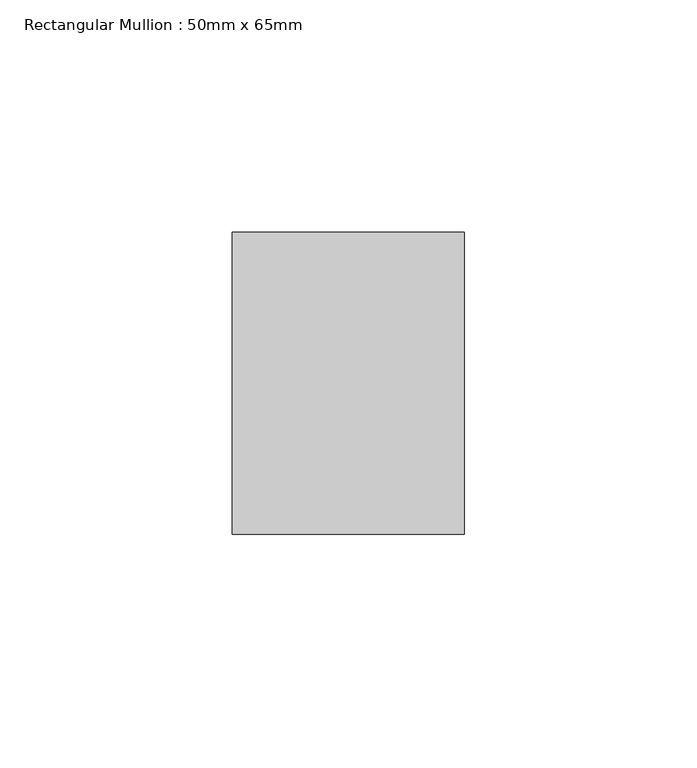
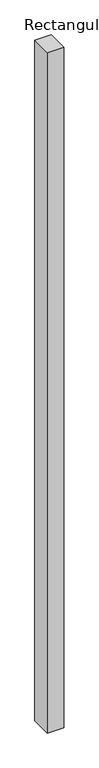
"""IFC4 building model written with IfcOpenShell, lengths in millimetres: member geometry, Rectangular Mullion : 50mm x 65mm."""

from ifc_helpers import new_model, si_unit, frame, origin, place, context, project, spatial, polyline, outline, extrude, source, transform, mapped, element, save


def rectangular_mullion_50mm_x_65mm_67fff32d(model_context):
    return source(origin(), model_context, "Body", "SweptSolid", [
        extrude(outline(polyline([(25.0, 32.5), (25.0, -32.5), (-25.0, -32.5), (-25.0, 32.5), (25.0, 32.5)])), frame((0.0, 0.0, -2186.9740587), z_axis=(0.0, 0.0, 1.0), x_axis=(1.0, 0.0, 0.0)), (0.0, 0.0, 1.0), 2186.9740587),
    ])


if __name__ == "__main__":
    model = new_model("IFC4")
    model_context = context("Model", 3, world=origin())
    ifc_project = project(units=[si_unit("LENGTHUNIT", "METRE", prefix="MILLI")], contexts=[model_context])
    site = spatial("IfcSite", under=ifc_project)
    building = spatial("IfcBuilding", under=site)
    placement = place(None, origin())
    rectangular_mullion_50mm_x_65mm_shape = rectangular_mullion_50mm_x_65mm_67fff32d(model_context)
    element("IfcMember", 1, ObjectType="Rectangular Mullion : 50mm x 65mm", at=placement, inside=building, context=model_context, shape_type="MappedRepresentation", body=[
        mapped(rectangular_mullion_50mm_x_65mm_shape, transform((0.0, 0.0, 0.0), x_axis=(1.0, 0.0, 0.0), y_axis=(0.0, 1.0, 0.0), z_axis=(0.0, 0.0, 1.0))),
    ])
    save(model, "model.ifc")
